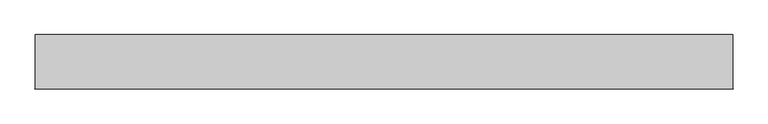
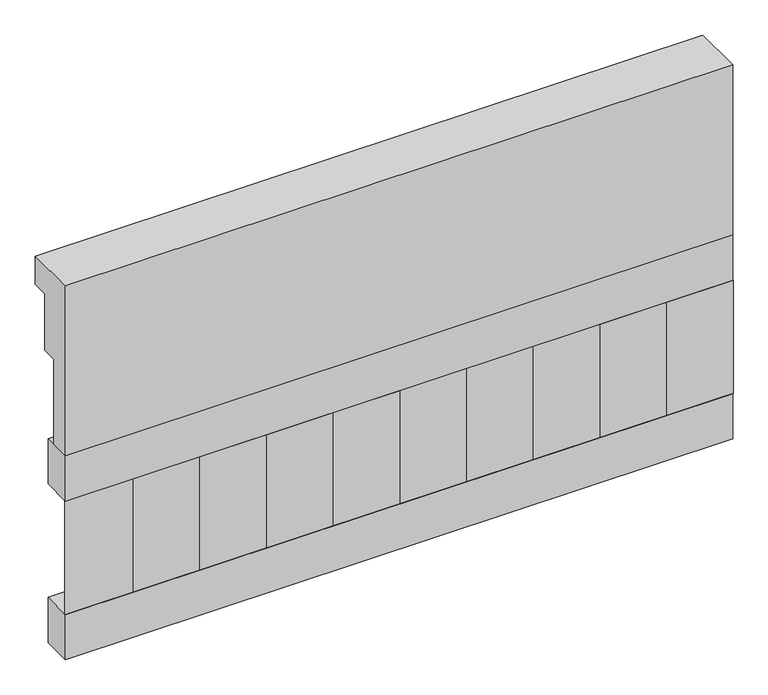
"""IFC4 building model written with IfcOpenShell, lengths in millimetres: railing geometry."""

from ifc_helpers import new_model, si_unit, frame, origin, place, context, project, spatial, polyline, outline, extrude, source, transform, mapped, element, save


def railing_0d1fb448(model_context):
    return source(origin(), model_context, "Body", "SweptSolid", [
        extrude(outline(polyline([(903.1079487, 15200.0), (1033.1079487, 15200.0), (1033.1079487, 15125.0), (993.1079487, 15125.0), (993.1079487, 14975.0), (953.1079487, 14975.0), (953.1079487, 14750.0), (903.1079487, 14750.0), (903.1079487, 15200.0)])), frame((-36509.9887159, 0.0, 0.0), z_axis=(1.0, 0.0, 0.0), x_axis=(0.0, 1.0, 0.0)), (0.0, 0.0, 1.0), 1670.0),
        extrude(outline(polyline([(-34839.9887159, 978.1079487), (-34839.9887159, 903.1079487), (-36509.9887159, 903.1079487), (-36509.9887159, 978.1079487), (-34839.9887159, 978.1079487)])), frame((0.0, 0.0, 14630.0), z_axis=(0.0, 0.0, 1.0), x_axis=(1.0, 0.0, 0.0)), (0.0, 0.0, 1.0), 120.0),
        extrude(outline(polyline([(-34839.9887159, 978.1079487), (-34839.9887159, 903.1079487), (-36509.9887159, 903.1079487), (-36509.9887159, 978.1079487), (-34839.9887159, 978.1079487)])), frame((0.0, 0.0, 14210.0), z_axis=(0.0, 0.0, 1.0), x_axis=(1.0, 0.0, 0.0)), (0.0, 0.0, 1.0), 120.0),
        extrude(outline(polyline([(-36426.4887159, 987.9607624), (-36341.6359022, 903.1079487), (-36511.3415296, 903.1079487), (-36426.4887159, 987.9607624)])), frame((0.0, 0.0, 14330.0), z_axis=(0.0, 0.0, 1.0), x_axis=(1.0, 0.0, 0.0)), (0.0, 0.0, 1.0), 300.0),
        extrude(outline(polyline([(-36259.4887159, 987.9607624), (-36174.6359022, 903.1079487), (-36344.3415296, 903.1079487), (-36259.4887159, 987.9607624)])), frame((0.0, 0.0, 14330.0), z_axis=(0.0, 0.0, 1.0), x_axis=(1.0, 0.0, 0.0)), (0.0, 0.0, 1.0), 300.0),
        extrude(outline(polyline([(-36092.4887159, 987.9607624), (-36007.6359022, 903.1079487), (-36177.3415296, 903.1079487), (-36092.4887159, 987.9607624)])), frame((0.0, 0.0, 14330.0), z_axis=(0.0, 0.0, 1.0), x_axis=(1.0, 0.0, 0.0)), (0.0, 0.0, 1.0), 300.0),
        extrude(outline(polyline([(-35925.4887159, 987.9607624), (-35840.6359022, 903.1079487), (-36010.3415296, 903.1079487), (-35925.4887159, 987.9607624)])), frame((0.0, 0.0, 14330.0), z_axis=(0.0, 0.0, 1.0), x_axis=(1.0, 0.0, 0.0)), (0.0, 0.0, 1.0), 300.0),
        extrude(outline(polyline([(-35758.4887159, 987.9607624), (-35673.6359022, 903.1079487), (-35843.3415296, 903.1079487), (-35758.4887159, 987.9607624)])), frame((0.0, 0.0, 14330.0), z_axis=(0.0, 0.0, 1.0), x_axis=(1.0, 0.0, 0.0)), (0.0, 0.0, 1.0), 300.0),
        extrude(outline(polyline([(-35591.4887159, 987.9607624), (-35506.6359022, 903.1079487), (-35676.3415296, 903.1079487), (-35591.4887159, 987.9607624)])), frame((0.0, 0.0, 14330.0), z_axis=(0.0, 0.0, 1.0), x_axis=(1.0, 0.0, 0.0)), (0.0, 0.0, 1.0), 300.0),
        extrude(outline(polyline([(-35424.4887159, 987.9607624), (-35339.6359022, 903.1079487), (-35509.3415296, 903.1079487), (-35424.4887159, 987.9607624)])), frame((0.0, 0.0, 14330.0), z_axis=(0.0, 0.0, 1.0), x_axis=(1.0, 0.0, 0.0)), (0.0, 0.0, 1.0), 300.0),
        extrude(outline(polyline([(-35257.4887159, 987.9607624), (-35172.6359022, 903.1079487), (-35342.3415296, 903.1079487), (-35257.4887159, 987.9607624)])), frame((0.0, 0.0, 14330.0), z_axis=(0.0, 0.0, 1.0), x_axis=(1.0, 0.0, 0.0)), (0.0, 0.0, 1.0), 300.0),
        extrude(outline(polyline([(-35090.4887159, 987.9607624), (-35005.6359022, 903.1079487), (-35175.3415296, 903.1079487), (-35090.4887159, 987.9607624)])), frame((0.0, 0.0, 14330.0), z_axis=(0.0, 0.0, 1.0), x_axis=(1.0, 0.0, 0.0)), (0.0, 0.0, 1.0), 300.0),
        extrude(outline(polyline([(-34923.4887159, 987.9607624), (-34838.6359022, 903.1079487), (-35008.3415296, 903.1079487), (-34923.4887159, 987.9607624)])), frame((0.0, 0.0, 14330.0), z_axis=(0.0, 0.0, 1.0), x_axis=(1.0, 0.0, 0.0)), (0.0, 0.0, 1.0), 300.0),
    ])


if __name__ == "__main__":
    model = new_model("IFC4")
    model_context = context("Model", 3, world=origin())
    ifc_project = project(units=[si_unit("LENGTHUNIT", "METRE", prefix="MILLI")], contexts=[model_context])
    site = spatial("IfcSite", under=ifc_project)
    building = spatial("IfcBuilding", under=site)
    placement = place(None, origin())
    railing_shape = railing_0d1fb448(model_context)
    element("IfcRailing", 1, at=placement, inside=building, context=model_context, shape_type="MappedRepresentation", body=[
        mapped(railing_shape, transform((0.0, 0.0, 0.0), x_axis=(1.0, 0.0, 0.0), y_axis=(0.0, 1.0, 0.0), z_axis=(0.0, 0.0, 1.0))),
    ])
    save(model, "model.ifc")
